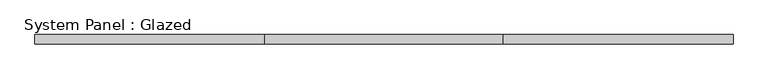
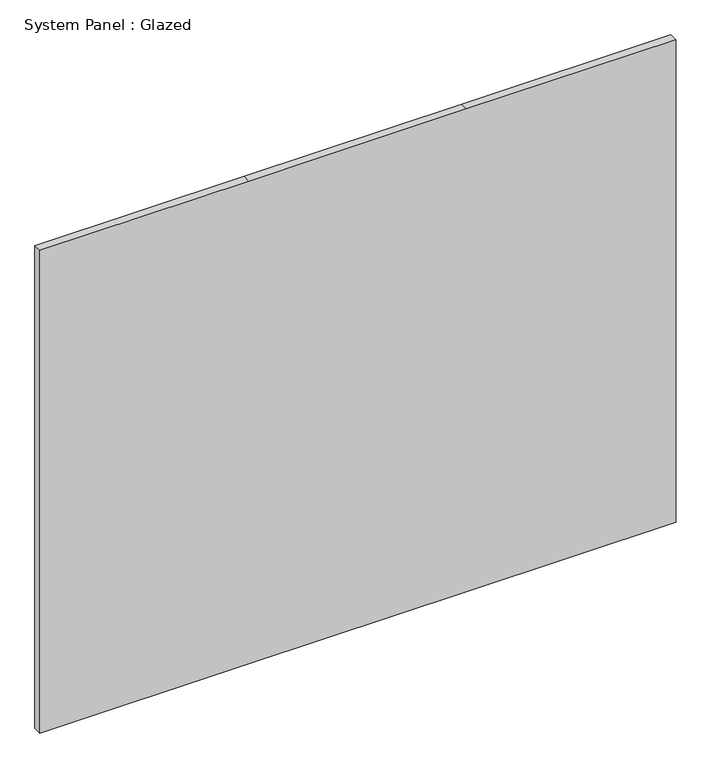
"""IFC4 building model written with IfcOpenShell, lengths in millimetres: plate geometry, System Panel : Glazed."""

from ifc_helpers import new_model, si_unit, frame, origin, place, context, project, spatial, polyline, outline, extrude, source, transform, mapped, element, save


def system_panel_glazed_de83eacf(model_context):
    return source(origin(), model_context, "Body", "SweptSolid", [
        extrude(outline(polyline([(0.0, -965.2), (0.0, -330.2), (0.0, 330.2), (0.0, 965.2), (1549.4, 965.2), (1549.4, 330.2), (1549.4, -330.2), (1549.4, -965.2), (0.0, -965.2)])), frame((0.0, -12.7, 0.0), z_axis=(0.0, 1.0, 0.0), x_axis=(0.0, 0.0, 1.0)), (0.0, 0.0, 1.0), 25.4),
    ])


if __name__ == "__main__":
    model = new_model("IFC4")
    model_context = context("Model", 3, world=origin())
    ifc_project = project(units=[si_unit("LENGTHUNIT", "METRE", prefix="MILLI")], contexts=[model_context])
    site = spatial("IfcSite", under=ifc_project)
    building = spatial("IfcBuilding", under=site)
    placement = place(None, origin())
    system_panel_glazed_shape = system_panel_glazed_de83eacf(model_context)
    element("IfcPlate", 1, ObjectType="System Panel : Glazed", at=placement, inside=building, context=model_context, shape_type="MappedRepresentation", body=[
        mapped(system_panel_glazed_shape, transform((0.0, 0.0, 0.0), x_axis=(1.0, 0.0, 0.0), y_axis=(0.0, 1.0, 0.0), z_axis=(0.0, 0.0, 1.0))),
    ])
    save(model, "model.ifc")
